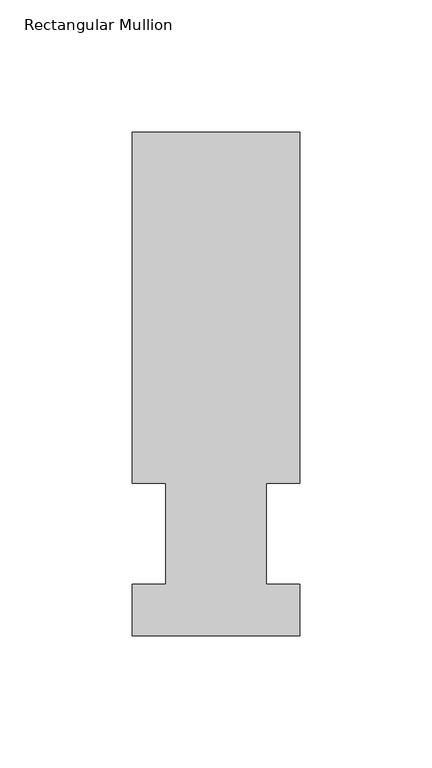
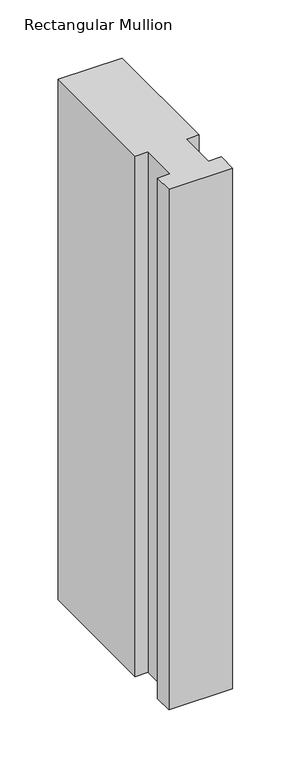
"""IFC4 building model written with IfcOpenShell, lengths in millimetres: member geometry, Rectangular Mullion."""

from ifc_helpers import new_model, si_unit, frame, origin, place, context, project, spatial, polyline, outline, extrude, source, transform, mapped, element, save


def rectangular_mullion_ee8344db(model_context):
    return source(origin(), model_context, "Body", "SweptSolid", [
        extrude(outline(polyline([(-63.5, 57.6460937), (-63.5, 190.5896938), (0.0, 190.5896938), (0.0, 57.6460937), (-12.6873, 57.6460937), (-12.6873, 19.5460938), (0.0, 19.5460938), (0.0, 0.0134938), (-63.5, 0.0134938), (-63.5, 19.5460938), (-50.8, 19.5460938), (-50.8, 57.6460937), (-63.5, 57.6460937)])), frame((0.0, 0.0, -546.0999994), z_axis=(0.0, 0.0, 1.0), x_axis=(1.0, 0.0, 0.0)), (0.0, 0.0, 1.0), 546.0999994),
    ])


if __name__ == "__main__":
    model = new_model("IFC4")
    model_context = context("Model", 3, world=origin())
    ifc_project = project(units=[si_unit("LENGTHUNIT", "METRE", prefix="MILLI")], contexts=[model_context])
    site = spatial("IfcSite", under=ifc_project)
    building = spatial("IfcBuilding", under=site)
    placement = place(None, origin())
    rectangular_mullion_shape = rectangular_mullion_ee8344db(model_context)
    element("IfcMember", 1, ObjectType="Rectangular Mullion", at=placement, inside=building, context=model_context, shape_type="MappedRepresentation", body=[
        mapped(rectangular_mullion_shape, transform((0.0, 0.0, 0.0), x_axis=(1.0, 0.0, 0.0), y_axis=(0.0, 1.0, 0.0), z_axis=(0.0, 0.0, 1.0))),
    ])
    save(model, "model.ifc")
